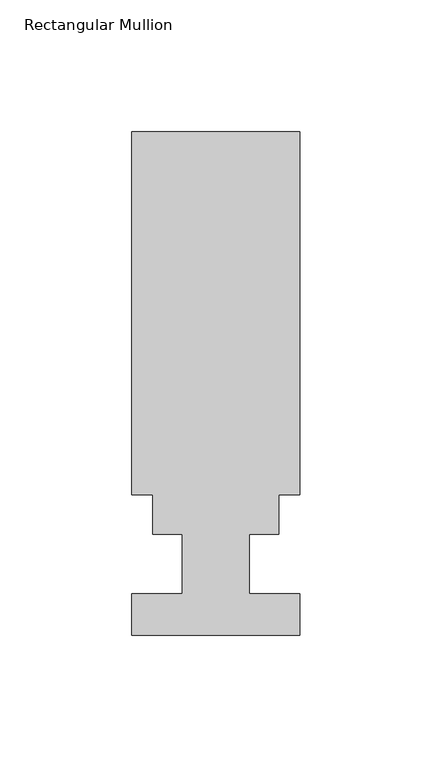
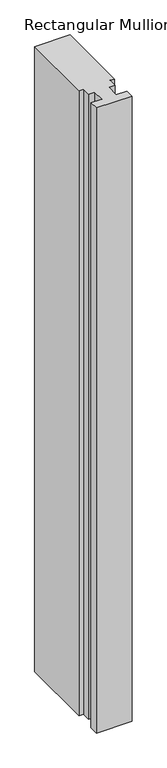
"""IFC4 building model written with IfcOpenShell, lengths in millimetres: member geometry, Rectangular Mullion."""

from ifc_helpers import new_model, si_unit, frame, origin, place, context, project, spatial, polyline, outline, extrude, source, transform, mapped, element, save


def rectangular_mullion_b8cb39b6(model_context):
    return source(origin(), model_context, "Body", "SweptSolid", [
        extrude(outline(polyline([(31.75, 53.0629813), (23.8252, 53.0629813), (23.8252, 38.0007812), (12.7, 38.0007812), (12.7, 15.5217812), (31.75, 15.5217812), (31.75, -0.3278188), (-31.75, -0.3278188), (-31.75, 15.5217812), (-12.7, 15.5217812), (-12.7, 38.0007812), (-23.8252, 38.0007812), (-23.8252, 53.0629813), (-31.75, 53.0629813), (-31.75, 190.4007812), (31.75, 190.4007812), (31.75, 53.0629813)])), frame((0.0, 0.0, -1180.0569562), z_axis=(0.0, 0.0, 1.0), x_axis=(1.0, 0.0, 0.0)), (0.0, 0.0, 1.0), 1180.0569562),
    ])


if __name__ == "__main__":
    model = new_model("IFC4")
    model_context = context("Model", 3, world=origin())
    ifc_project = project(units=[si_unit("LENGTHUNIT", "METRE", prefix="MILLI")], contexts=[model_context])
    site = spatial("IfcSite", under=ifc_project)
    building = spatial("IfcBuilding", under=site)
    placement = place(None, origin())
    rectangular_mullion_shape = rectangular_mullion_b8cb39b6(model_context)
    element("IfcMember", 1, ObjectType="Rectangular Mullion", at=placement, inside=building, context=model_context, shape_type="MappedRepresentation", body=[
        mapped(rectangular_mullion_shape, transform((0.0, 0.0, 0.0), x_axis=(1.0, 0.0, 0.0), y_axis=(0.0, 1.0, 0.0), z_axis=(0.0, 0.0, 1.0))),
    ])
    save(model, "model.ifc")
